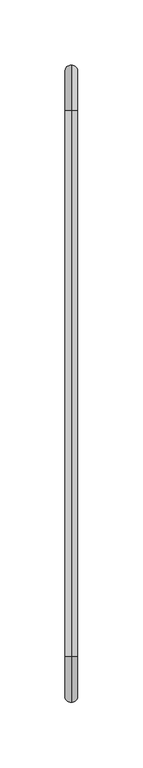
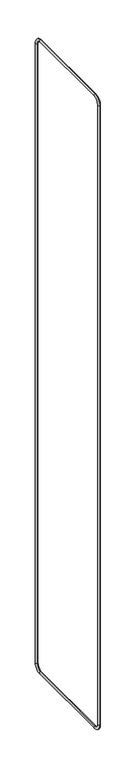
"""IFC4 building model written with IfcOpenShell, lengths in millimetres: beam geometry."""

from ifc_helpers import new_model, si_unit, point, frame, origin, place, context, project, spatial, circle_curve, ellipse_curve, trimmed, source, transform, mapped, element, save
from ifc_brep_helpers import cylinder_surface, revolved_surface, advanced_brep


def beam_ca0ea3fc(model_context):
    return source(origin(), model_context, "Body", "AdvancedBrep", [
        advanced_brep(
        [(0.0, -289.5, 41.2687306), (0.0, -299.5, 41.2687306), (0.0, -264.5, 6.2687306), (0.0, -264.5, 16.2687306), (0.0, 155.5, 6.2687306), (0.0, 155.5, 16.2687306), (0.0, -299.5, 2950.0), (0.0, -289.5, 2950.0), (0.0, 190.5, 2950.0), (0.0, 190.5, 41.2687306), (0.0, 180.5, 41.2687306), (0.0, 180.5, 2950.0), (0.0, -264.5, 2985.0), (0.0, -264.5, 2975.0), (0.0, 155.5, 2985.0), (0.0, 155.5, 2975.0)],
        [
            (0, 1, circle_curve(frame((0.0, -294.5, 41.2687306), z_axis=(0.0, 0.0, -1.0), x_axis=(0.0, 1.0, 0.0)), 5.0)),
            (1, 2, circle_curve(frame((0.0, -264.5, 41.2687306), z_axis=(1.0, 0.0, 0.0), x_axis=(0.0, 0.0, -1.0)), 35.0)),
            (2, 3, circle_curve(frame((0.0, -264.5, 11.2687306), z_axis=(0.0, -1.0, 0.0), x_axis=(0.0, 0.0, 1.0)), 5.0)),
            (3, 0, circle_curve(frame((0.0, -264.5, 41.2687306), z_axis=(-1.0, 0.0, 0.0), x_axis=(0.0, 0.0, -1.0)), 25.0)),
            (1, 0, circle_curve(frame((0.0, -294.5, 41.2687306), z_axis=(0.0, 0.0, -1.0), x_axis=(0.0, 1.0, 0.0)), 5.0)),
            (3, 2, circle_curve(frame((0.0, -264.5, 11.2687306), z_axis=(0.0, -1.0, 0.0), x_axis=(0.0, 0.0, 1.0)), 5.0)),
            (4, 2),
            (3, 5),
            (5, 4, circle_curve(frame((0.0, 155.5, 11.2687306), z_axis=(0.0, -1.0, 0.0), x_axis=(0.0, 0.0, 1.0)), 5.0)),
            (1, 6),
            (6, 7, circle_curve(frame((0.0, -294.5, 2950.0), z_axis=(0.0, 0.0, -1.0), x_axis=(0.0, 1.0, 0.0)), 5.0)),
            (7, 0),
            (4, 5, circle_curve(frame((0.0, 155.5, 11.2687306), z_axis=(0.0, -1.0, 0.0), x_axis=(0.0, 0.0, 1.0)), 5.0)),
            (7, 6, circle_curve(frame((0.0, -294.5, 2950.0), z_axis=(0.0, 0.0, -1.0), x_axis=(0.0, 1.0, 0.0)), 5.0)),
            (8, 9),
            (9, 10, circle_curve(frame((0.0, 185.5, 41.2687306), z_axis=(0.0, 0.0, 1.0), x_axis=(0.0, -1.0, 0.0)), 5.0)),
            (10, 11),
            (11, 8, circle_curve(frame((0.0, 185.5, 2950.0), z_axis=(0.0, 0.0, -1.0), x_axis=(0.0, -1.0, 0.0)), 5.0)),
            (10, 9, circle_curve(frame((0.0, 185.5, 41.2687306), z_axis=(0.0, 0.0, 1.0), x_axis=(0.0, -1.0, 0.0)), 5.0)),
            (8, 11, circle_curve(frame((0.0, 185.5, 2950.0), z_axis=(0.0, 0.0, -1.0), x_axis=(0.0, -1.0, 0.0)), 5.0)),
            (5, 10, circle_curve(frame((0.0, 155.5, 41.2687306), z_axis=(1.0, 0.0, 0.0), x_axis=(0.0, 1.0, 0.0)), 25.0)),
            (9, 4, circle_curve(frame((0.0, 155.5, 41.2687306), z_axis=(-1.0, 0.0, 0.0), x_axis=(0.0, 1.0, 0.0)), 35.0)),
            (12, 13, circle_curve(frame((0.0, -264.5, 2980.0), z_axis=(0.0, -1.0, 0.0), x_axis=(0.0, 0.0, -1.0)), 5.0)),
            (13, 7, circle_curve(frame((0.0, -264.5, 2950.0), z_axis=(1.0, 0.0, 0.0), x_axis=(0.0, -1.0, 0.0)), 25.0)),
            (6, 12, circle_curve(frame((0.0, -264.5, 2950.0), z_axis=(-1.0, 0.0, 0.0), x_axis=(0.0, -1.0, 0.0)), 35.0)),
            (13, 12, circle_curve(frame((0.0, -264.5, 2980.0), z_axis=(0.0, -1.0, 0.0), x_axis=(0.0, 0.0, -1.0)), 5.0)),
            (12, 14),
            (14, 15, circle_curve(frame((0.0, 155.5, 2980.0), z_axis=(0.0, -1.0, 0.0), x_axis=(0.0, 0.0, -1.0)), 5.0)),
            (15, 13),
            (15, 14, circle_curve(frame((0.0, 155.5, 2980.0), z_axis=(0.0, -1.0, 0.0), x_axis=(0.0, 0.0, -1.0)), 5.0)),
            (11, 15, circle_curve(frame((0.0, 155.5, 2950.0), z_axis=(1.0, 0.0, 0.0), x_axis=(0.0, 0.0, 1.0)), 25.0)),
            (14, 8, circle_curve(frame((0.0, 155.5, 2950.0), z_axis=(-1.0, 0.0, 0.0), x_axis=(0.0, 0.0, 1.0)), 35.0)),
        ],
        [
            revolved_surface(trimmed(ellipse_curve(frame((0.0, -264.5, 11.2687306), z_axis=(0.0, -1.0, 0.0), x_axis=(0.0, 0.0, 1.0)), 5.0, 5.0), [point((0.0, -264.5, 6.2687306))], [point((0.0, -264.5, 16.2687306))], True, "CARTESIAN"), (0.0, -264.5, 41.2687306), (1.0, 0.0, 0.0)),
            revolved_surface(trimmed(ellipse_curve(frame((0.0, -264.5, 11.2687306), z_axis=(0.0, -1.0, 0.0), x_axis=(0.0, 0.0, 1.0)), 5.0, 5.0), [point((0.0, -264.5, 16.2687306))], [point((0.0, -264.5, 6.2687306))], True, "CARTESIAN"), (0.0, -264.5, 41.2687306), (1.0, 0.0, 0.0)),
            cylinder_surface(frame((0.0, 155.5, 11.2687306), z_axis=(0.0, 1.0, 0.0), x_axis=(0.0, 0.0, 1.0)), 5.0),
            cylinder_surface(frame((0.0, -294.5, 41.2687306), z_axis=(0.0, 0.0, -1.0), x_axis=(0.0, 1.0, 0.0)), 5.0),
            cylinder_surface(frame((0.0, 185.5, 2950.0), z_axis=(0.0, 0.0, 1.0), x_axis=(0.0, -1.0, 0.0)), 5.0),
            revolved_surface(trimmed(ellipse_curve(frame((0.0, 185.5, 41.2687306), z_axis=(0.0, 0.0, -1.0), x_axis=(0.0, -1.0, 0.0)), 5.0, 5.0), [point((0.0, 180.5, 41.2687306))], [point((0.0, 190.5, 41.2687306))], True, "CARTESIAN"), (0.0, 155.5, 41.2687306), (1.0, 0.0, 0.0)),
            revolved_surface(trimmed(ellipse_curve(frame((0.0, 185.5, 41.2687306), z_axis=(0.0, 0.0, -1.0), x_axis=(0.0, -1.0, 0.0)), 5.0, 5.0), [point((0.0, 190.5, 41.2687306))], [point((0.0, 180.5, 41.2687306))], True, "CARTESIAN"), (0.0, 155.5, 41.2687306), (1.0, 0.0, 0.0)),
            revolved_surface(trimmed(ellipse_curve(frame((0.0, -294.5, 2950.0), z_axis=(0.0, 0.0, 1.0), x_axis=(0.0, 1.0, 0.0)), 5.0, 5.0), [point((0.0, -289.5, 2950.0))], [point((0.0, -299.5, 2950.0))], True, "CARTESIAN"), (0.0, -264.5, 2950.0), (1.0, 0.0, 0.0)),
            revolved_surface(trimmed(ellipse_curve(frame((0.0, -294.5, 2950.0), z_axis=(0.0, 0.0, 1.0), x_axis=(0.0, 1.0, 0.0)), 5.0, 5.0), [point((0.0, -299.5, 2950.0))], [point((0.0, -289.5, 2950.0))], True, "CARTESIAN"), (0.0, -264.5, 2950.0), (1.0, 0.0, 0.0)),
            cylinder_surface(frame((0.0, -264.5, 2980.0), z_axis=(0.0, -1.0, 0.0), x_axis=(0.0, 0.0, -1.0)), 5.0),
            revolved_surface(trimmed(ellipse_curve(frame((0.0, 155.5, 2980.0), z_axis=(0.0, 1.0, 0.0), x_axis=(0.0, 0.0, -1.0)), 5.0, 5.0), [point((0.0, 155.5, 2975.0))], [point((0.0, 155.5, 2985.0))], True, "CARTESIAN"), (0.0, 155.5, 2950.0), (1.0, 0.0, 0.0)),
            revolved_surface(trimmed(ellipse_curve(frame((0.0, 155.5, 2980.0), z_axis=(0.0, 1.0, 0.0), x_axis=(0.0, 0.0, -1.0)), 5.0, 5.0), [point((0.0, 155.5, 2985.0))], [point((0.0, 155.5, 2975.0))], True, "CARTESIAN"), (0.0, 155.5, 2950.0), (1.0, 0.0, 0.0)),
        ],
        [
            (0, [[1, 2, 3, 4]]),
            (1, [[5, -4, 6, -2]]),
            (2, [[7, -6, 8, 9]]),
            (3, [[10, 11, 12, -5]]),
            (2, [[-8, -3, -7, 13]]),
            (3, [[-12, 14, -10, -1]]),
            (4, [[15, 16, 17, 18]]),
            (4, [[-17, 19, -15, 20]]),
            (5, [[-9, 21, -16, 22]]),
            (6, [[-13, -22, -19, -21]]),
            (7, [[23, 24, -11, 25]]),
            (8, [[26, -25, -14, -24]]),
            (9, [[27, 28, 29, -23]]),
            (9, [[-29, 30, -27, -26]]),
            (10, [[-18, 31, -28, 32]]),
            (11, [[-20, -32, -30, -31]]),
        ],
    ),
    ])


if __name__ == "__main__":
    model = new_model("IFC4")
    model_context = context("Model", 3, world=origin())
    ifc_project = project(units=[si_unit("LENGTHUNIT", "METRE", prefix="MILLI")], contexts=[model_context])
    site = spatial("IfcSite", under=ifc_project)
    building = spatial("IfcBuilding", under=site)
    placement = place(None, origin())
    beam_shape = beam_ca0ea3fc(model_context)
    element("IfcBeam", 1, at=placement, inside=building, context=model_context, shape_type="MappedRepresentation", body=[
        mapped(beam_shape, transform((0.0, 0.0, 0.0), x_axis=(1.0, 0.0, 0.0), y_axis=(0.0, 1.0, 0.0), z_axis=(0.0, 0.0, 1.0))),
    ])
    save(model, "model.ifc")
